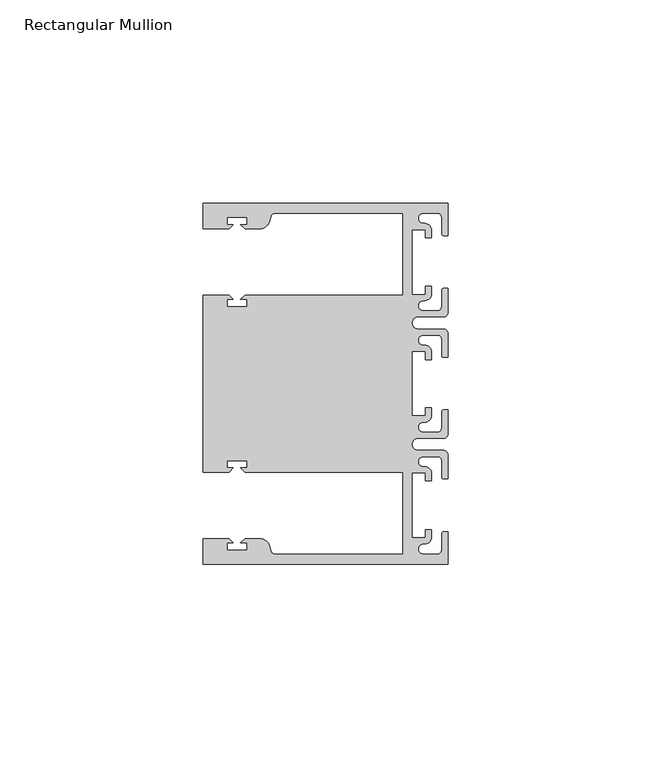
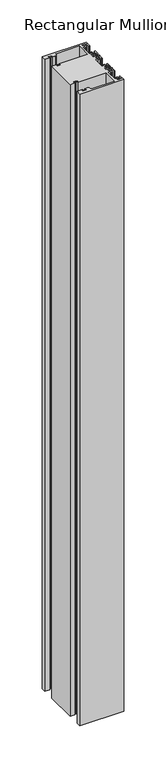
"""IFC4 building model written with IfcOpenShell, lengths in millimetres: member geometry, Rectangular Mullion."""

import ifcopenshell
import ifcopenshell.guid

model = None  # the IFC model being written
_history = None  # IfcOwnerHistory: only IFC2X3 demands one
_inside = {}  # id of a spatial element -> (the spatial element, [elements in it])
_under = {}  # id of a project, library or spatial element -> (it, [spatial elements below it])
_declared = {}  # id of a project -> (the project, [libraries it declares])
_typed = {}  # id of a type object -> (the type object, [elements of that type])
_made_of = {}  # id of a material, layer set ... -> (it, [elements and type objects made of it])


def new_model(schema):
    """Start an empty IFC model of exactly this schema.

    Asked for "IFC4X3", IfcOpenShell would pick the latest addendum, in which some entities
    have other attributes; the version numbers below select the first issue.
    IFC2X3 requires an IfcOwnerHistory on every rooted entity: one is made here for all.
    """
    global model, _history
    if schema == "IFC4X3":
        model = ifcopenshell.file(schema_version=(4, 3, 0, 0))
    else:
        model = ifcopenshell.file(schema=schema)
    _inside.clear()
    _under.clear()
    _declared.clear()
    _typed.clear()
    _made_of.clear()
    _history = None
    if model.schema == "IFC2X3":
        org = make("IfcOrganization", Name="unknown")
        user = make(
            "IfcPersonAndOrganization",
            ThePerson=make("IfcPerson", FamilyName="unknown"),
            TheOrganization=org,
        )
        app = make(
            "IfcApplication",
            ApplicationDeveloper=org,
            Version="unknown",
            ApplicationFullName="unknown",
            ApplicationIdentifier="unknown",
        )
        _history = make(
            "IfcOwnerHistory",
            OwningUser=user,
            OwningApplication=app,
            ChangeAction="ADDED",
            CreationDate=0,
        )
    return model


def make(cls, **values):
    """One entity of the class cls with the attributes given. An attribute that is None is left unset."""
    return model.create_entity(
        cls, **{name: value for name, value in values.items() if value is not None}
    )


def rooted(cls, **values):
    """An entity with a GlobalId (a new one), such as an element, a storey or a relation."""
    return make(cls, GlobalId=ifcopenshell.guid.new(), OwnerHistory=_history, **values)


def si_unit(unit_type, name, prefix=None):
    """IfcSIUnit, for example si_unit("LENGTHUNIT", "METRE", prefix="MILLI")."""
    return make("IfcSIUnit", UnitType=unit_type, Prefix=prefix, Name=name)


def assignment(units):
    """IfcUnitAssignment: the units of a project."""
    return None if units is None else make("IfcUnitAssignment", Units=units)


def point(xyz):
    """IfcCartesianPoint."""
    return None if xyz is None else make("IfcCartesianPoint", Coordinates=xyz)


def direction(xyz):
    """IfcDirection."""
    return None if xyz is None else make("IfcDirection", DirectionRatios=xyz)


def frame(location, z_axis=None, x_axis=None):
    """IfcAxis2Placement3D, a coordinate frame: its origin and axes. An axis left out is left unset."""
    return make(
        "IfcAxis2Placement3D",
        Location=point(location),
        Axis=direction(z_axis),
        RefDirection=direction(x_axis),
    )


def frame_2d(location, x_axis=None):
    """IfcAxis2Placement2D, a coordinate frame in the plane: its origin and x axis."""
    return make(
        "IfcAxis2Placement2D", Location=point(location), RefDirection=direction(x_axis)
    )


def origin():
    """The frame at (0, 0, 0) with its axes left unset."""
    return frame((0.0, 0.0, 0.0))


def place(relative_to, where):
    """IfcLocalPlacement: puts the frame where relative to a parent placement (None: the world)."""
    return make(
        "IfcLocalPlacement", PlacementRelTo=relative_to, RelativePlacement=where
    )


def context(
    kind, dimensions, precision=None, world=None, true_north=None, identifier=None
):
    """IfcGeometricRepresentationContext, for example the 3D "Model" context."""
    return make(
        "IfcGeometricRepresentationContext",
        ContextIdentifier=identifier,
        ContextType=kind,
        CoordinateSpaceDimension=dimensions,
        Precision=precision,
        WorldCoordinateSystem=world,
        TrueNorth=true_north,
    )


def project(units=None, contexts=None):
    """IfcProject with its units and contexts."""
    return rooted(
        "IfcProject",
        Name="project",
        RepresentationContexts=contexts,
        UnitsInContext=assignment(units),
    )


def spatial(cls, under=None, at=None, **own):
    """A site, building, storey or space (cls), placed at a placement, below another one or the project."""
    s = rooted(cls, ObjectPlacement=at, **own)
    if under is not None:
        _under.setdefault(under.id(), (under, []))[1].append(s)
    return s


def polyline(points):
    """IfcPolyline through the points."""
    return make("IfcPolyline", Points=[point(p) for p in points])


def circle_curve(where, radius):
    """IfcCircle in the frame where."""
    return make("IfcCircle", Position=where, Radius=radius)


def trimmed(basis, trim1, trim2, sense, master):
    """IfcTrimmedCurve: the piece of a basis curve between two trims."""
    return make(
        "IfcTrimmedCurve",
        BasisCurve=basis,
        Trim1=trim1,
        Trim2=trim2,
        SenseAgreement=sense,
        MasterRepresentation=master,
    )


def segment(curve, same_sense, transition):
    """IfcCompositeCurveSegment."""
    return make(
        "IfcCompositeCurveSegment",
        Transition=transition,
        SameSense=same_sense,
        ParentCurve=curve,
    )


def composite_curve(segments, self_intersect=None):
    """IfcCompositeCurve: segments joined end to end."""
    return make("IfcCompositeCurve", Segments=segments, SelfIntersect=self_intersect)


def outline(outer, holes=None, kind="AREA"):
    """IfcArbitraryClosedProfileDef: a profile drawn as a closed curve; with holes, ...WithVoids."""
    if holes is None:
        return make("IfcArbitraryClosedProfileDef", ProfileType=kind, OuterCurve=outer)
    return make(
        "IfcArbitraryProfileDefWithVoids",
        ProfileType=kind,
        OuterCurve=outer,
        InnerCurves=holes,
    )


def extrude(swept, where, along, depth):
    """IfcExtrudedAreaSolid: the profile swept, set in the frame where, extruded along a direction by depth."""
    return make(
        "IfcExtrudedAreaSolid",
        SweptArea=swept,
        Position=where,
        ExtrudedDirection=direction(along),
        Depth=depth,
    )


def shape(context_of_items, identifier, shape_type, items):
    """IfcShapeRepresentation: the items that make up one representation, for example the "Body"."""
    return make(
        "IfcShapeRepresentation",
        ContextOfItems=context_of_items,
        RepresentationIdentifier=identifier,
        RepresentationType=shape_type,
        Items=items,
    )


def source(mapping_origin, context_of_items, identifier, shape_type, items):
    """IfcRepresentationMap: a shape defined once, which mapped items show again and again."""
    return make(
        "IfcRepresentationMap",
        MappingOrigin=mapping_origin,
        MappedRepresentation=shape(context_of_items, identifier, shape_type, items),
    )


def transform(
    local_origin,
    x_axis=None,
    y_axis=None,
    z_axis=None,
    scale=None,
    scale2=None,
    scale3=None,
    uniform=True,
):
    """IfcCartesianTransformationOperator3D, or its non-uniform kind. x_axis, y_axis, z_axis: its Axis1, 2, 3."""
    if uniform:
        return make(
            "IfcCartesianTransformationOperator3D",
            Axis1=direction(x_axis),
            Axis2=direction(y_axis),
            LocalOrigin=point(local_origin),
            Scale=scale,
            Axis3=direction(z_axis),
        )
    return make(
        "IfcCartesianTransformationOperator3DnonUniform",
        Axis1=direction(x_axis),
        Axis2=direction(y_axis),
        LocalOrigin=point(local_origin),
        Scale=scale,
        Axis3=direction(z_axis),
        Scale2=scale2,
        Scale3=scale3,
    )


def mapped(mapping_source, mapping_target):
    """IfcMappedItem: shows the shape of a source again, moved by a transform."""
    return make(
        "IfcMappedItem", MappingSource=mapping_source, MappingTarget=mapping_target
    )


def made_of(thing, what):
    """Note that an element or type object is made of a material, layer set ...; save() writes the relation."""
    if what is not None:
        _made_of.setdefault(what.id(), (what, []))[1].append(thing)
    return thing


def element(
    cls,
    number,
    at=None,
    inside=None,
    cuts=None,
    type_object=None,
    material=None,
    context=None,
    identifier="Body",
    shape_type=None,
    held_by="IfcProductDefinitionShape",
    body=None,
    shapes=None,
    **own,
):
    """One element of the class cls, such as IfcWall. Its Tag is "e" and its number.

    at: its placement. inside: the storey or other place that contains it. cuts: it is an
    opening in that element (IfcRelVoidsElement). A single representation is given by context,
    identifier, shape_type and body (its items); several are given by shapes. held_by: the class
    of the entity that holds the representations. save() writes the other relations.
    """
    e = rooted(cls, Tag="e%d" % number, ObjectPlacement=at, **own)
    if body is not None:
        shapes = [shape(context, identifier, shape_type, body)]
    if shapes is not None:
        e.Representation = make(held_by, Representations=shapes)
    if inside is not None:
        _inside.setdefault(inside.id(), (inside, []))[1].append(e)
    if cuts is not None:
        rooted(
            "IfcRelVoidsElement", RelatingBuildingElement=cuts, RelatedOpeningElement=e
        )
    if type_object is not None:
        _typed.setdefault(type_object.id(), (type_object, []))[1].append(e)
    return made_of(e, material)


def aggregate(whole, parts):
    """IfcRelAggregates: a whole, such as a stair, and the parts it consists of."""
    return rooted("IfcRelAggregates", RelatingObject=whole, RelatedObjects=parts)


def save(model, path):
    """Write the relations noted so far, then the file.

    IfcRelAggregates (storeys below a building ...), IfcRelContainedInSpatialStructure (elements
    in a storey), IfcRelDefinesByType, IfcRelAssociatesMaterial and IfcRelDeclares: one each for
    every whole, place, type object, material and project.
    """
    for whole, parts in _under.values():
        aggregate(whole, parts)
    for where, things in _inside.values():
        rooted(
            "IfcRelContainedInSpatialStructure",
            RelatedElements=things,
            RelatingStructure=where,
        )
    for kind, things in _typed.values():
        rooted("IfcRelDefinesByType", RelatedObjects=things, RelatingType=kind)
    for what, things in _made_of.values():
        rooted("IfcRelAssociatesMaterial", RelatedObjects=things, RelatingMaterial=what)
    for by, libraries in _declared.values():
        rooted("IfcRelDeclares", RelatingContext=by, RelatedDefinitions=libraries)
    model.write(path)


def rectangular_mullion_5a1a3d79(model_context):
    return source(origin(), model_context, "Body", "SweptSolid", [
        extrude(outline(composite_curve([segment(polyline([(0.0, -44.45), (-60.3249977, -44.45), (-60.3249977, -38.1499897), (-53.8507531, -38.1499897), (-52.8507405, -39.1500023), (-54.4249778, -39.1500023), (-54.4249778, -40.9498819), (-49.4249831, -40.9498819), (-49.4249831, -39.1500023), (-50.999256, -39.1500023), (-49.9992503, -38.1499966), (-46.3137853, -38.1499966)]), True, "CONTINUOUS"), segment(trimmed(circle_curve(frame_2d((-46.3137853, -40.6499966)), 2.5), [point((-46.3137853, -38.1499966))], [point((-43.8989707, -40.002949))], False, "CARTESIAN"), True, "CONTINUOUS"), segment(polyline([(-43.8989707, -40.002949), (-43.5758588, -41.2088192)]), True, "CONTINUOUS"), segment(trimmed(circle_curve(frame_2d((-42.6099329, -40.9500001)), 1.0), [point((-43.5758588, -41.2088192))], [point((-42.6099329, -41.9500001))], True, "CARTESIAN"), True, "CONTINUOUS"), segment(polyline([(-42.6099329, -41.9500001), (-11.1124977, -41.95), (-11.1124977, -21.7499959), (-49.9992434, -21.7499959), (-50.999256, -20.7499834), (-49.4250186, -20.7499834), (-49.4250186, -18.949936), (-54.4250134, -18.949936), (-54.4250134, -20.7499834), (-52.8507405, -20.7499834), (-53.8507562, -21.749999), (-60.325, -21.749999), (-60.325, 21.749999), (-53.8507562, 21.749999), (-52.8507405, 20.7499834), (-54.4250134, 20.7499834), (-54.4250134, 18.949936), (-49.4250186, 18.949936), (-49.4250186, 20.7499834), (-50.999256, 20.7499834), (-49.9992434, 21.7499959), (-11.1125, 21.7499959), (-11.1125, 41.95), (-42.6099329, 41.95)]), True, "CONTINUOUS"), segment(trimmed(circle_curve(frame_2d((-42.6099329, 40.9500001)), 1.0), [point((-42.6099329, 41.95))], [point((-43.5758588, 41.2088192))], True, "CARTESIAN"), True, "CONTINUOUS"), segment(polyline([(-43.5758588, 41.2088192), (-43.8989707, 40.002949)]), True, "CONTINUOUS"), segment(trimmed(circle_curve(frame_2d((-46.3137853, 40.6499966)), 2.5), [point((-43.8989707, 40.002949))], [point((-46.3137853, 38.1499966))], False, "CARTESIAN"), True, "CONTINUOUS"), segment(polyline([(-46.3137853, 38.1499966), (-49.9992503, 38.1499966), (-50.999256, 39.1500023), (-49.4249831, 39.1500023), (-49.4249831, 40.9498819), (-54.4249778, 40.9498819), (-54.4249778, 39.1500023), (-52.8507405, 39.1500023), (-53.8507531, 38.1499897), (-60.325, 38.1499897), (-60.325, 44.45), (0.0, 44.45), (0.0, 36.4500318), (-1.0, 36.4500318)]), True, "CONTINUOUS"), segment(trimmed(circle_curve(frame_2d((-1.0, 36.9500318)), 0.5), [point((-1.0, 36.4500318))], [point((-1.5, 36.9500318))], False, "CARTESIAN"), True, "CONTINUOUS"), segment(polyline([(-1.5, 36.9500318), (-1.5, 40.95)]), True, "CONTINUOUS"), segment(trimmed(circle_curve(frame_2d((-2.5, 40.95)), 1.0), [point((-1.5, 40.95))], [point((-2.5, 41.95))], True, "CARTESIAN"), True, "CONTINUOUS"), segment(polyline([(-2.5, 41.95), (-6.0499986, 41.95)]), True, "CONTINUOUS"), segment(trimmed(circle_curve(frame_2d((-6.0499986, 40.6999986)), 1.2500014), [point((-6.0499986, 41.95))], [point((-5.9027291, 39.4587029))], True, "CARTESIAN"), True, "CONTINUOUS"), segment(trimmed(circle_curve(frame_2d((-5.7186029, 37.7499972)), 1.7185975), [point((-5.9027291, 39.4587029))], [point((-4.0000054, 37.7499972))], False, "CARTESIAN"), True, "CONTINUOUS"), segment(polyline([(-4.0000054, 37.7499972), (-4.0000054, 35.9500318), (-5.5, 35.9500318), (-5.5, 37.9499972), (-8.8585786, 37.9499972), (-8.8585786, 21.9499956), (-5.5, 21.9499956), (-5.5, 23.9499611), (-3.9999946, 23.9499611), (-3.9999946, 22.0272972)]), True, "CONTINUOUS"), segment(trimmed(circle_curve(frame_2d((-5.7543344, 22.1865598)), 1.761554), [point((-3.9999946, 22.0272972))], [point((-6.0499986, 20.4499956))], False, "CARTESIAN"), True, "CONTINUOUS"), segment(trimmed(circle_curve(frame_2d((-6.0499986, 19.1999942)), 1.2500014), [point((-6.0499986, 20.4499956))], [point((-6.0499986, 17.9499929))], True, "CARTESIAN"), True, "CONTINUOUS"), segment(polyline([(-6.0499986, 17.9499929), (-2.5, 17.9499929)]), True, "CONTINUOUS"), segment(trimmed(circle_curve(frame_2d((-2.5, 18.9499929)), 1.0), [point((-2.5, 17.9499929))], [point((-1.5, 18.9499929))], True, "CARTESIAN"), True, "CONTINUOUS"), segment(polyline([(-1.5, 18.9499929), (-1.5, 22.9499611)]), True, "CONTINUOUS"), segment(trimmed(circle_curve(frame_2d((-1.0, 22.9499611)), 0.5), [point((-1.5, 22.9499611))], [point((-1.0, 23.4499611))], False, "CARTESIAN"), True, "CONTINUOUS"), segment(polyline([(-1.0, 23.4499611), (0.0, 23.4499611), (0.0, 17.4499929)]), True, "CONTINUOUS"), segment(trimmed(circle_curve(frame_2d((-1.0, 17.4499929)), 1.0), [point((0.0, 17.4499929))], [point((-1.0, 16.4499929))], False, "CARTESIAN"), True, "CONTINUOUS"), segment(polyline([(-1.0, 16.4499929), (-7.3, 16.4499929)]), True, "CONTINUOUS"), segment(trimmed(circle_curve(frame_2d((-7.3, 14.9499929)), 1.5), [point((-7.3, 16.4499929))], [point((-7.3046244, 13.45))], True, "CARTESIAN"), True, "CONTINUOUS"), segment(polyline([(-7.3046244, 13.45), (-1.0, 13.45)]), True, "CONTINUOUS"), segment(trimmed(circle_curve(frame_2d((-1.0, 12.45)), 1.0), [point((-1.0, 13.45))], [point((0.0, 12.45))], False, "CARTESIAN"), True, "CONTINUOUS"), segment(polyline([(0.0, 12.45), (0.0, 6.4500354), (-0.9999964, 6.4500354)]), True, "CONTINUOUS"), segment(trimmed(circle_curve(frame_2d((-0.9999964, 6.9500354)), 0.5), [point((-0.9999964, 6.4500354))], [point((-1.4999964, 6.9500354))], False, "CARTESIAN"), True, "CONTINUOUS"), segment(polyline([(-1.4999964, 6.9500354), (-1.4999964, 10.95)]), True, "CONTINUOUS"), segment(trimmed(circle_curve(frame_2d((-2.4999964, 10.95)), 1.0), [point((-1.4999964, 10.95))], [point((-2.4999964, 11.95))], True, "CARTESIAN"), True, "CONTINUOUS"), segment(polyline([(-2.4999964, 11.95), (-6.0499986, 11.95)]), True, "CONTINUOUS"), segment(trimmed(circle_curve(frame_2d((-6.0499986, 10.6999986)), 1.2500014), [point((-6.0499986, 11.95))], [point((-6.0499986, 9.4499972))], True, "CARTESIAN"), True, "CONTINUOUS"), segment(trimmed(circle_curve(frame_2d((-5.7298824, 7.7499972)), 1.729877), [point((-6.0499986, 9.4499972))], [point((-4.0000054, 7.7499972))], False, "CARTESIAN"), True, "CONTINUOUS"), segment(polyline([(-4.0000054, 7.7499972), (-4.0000054, 5.9500318), (-5.5, 5.9500318), (-5.5, 7.9499972), (-8.8, 7.9499972), (-8.8, -7.9499972), (-5.5, -7.9499972), (-5.5, -5.9500318), (-4.0000054, -5.9500318), (-4.0000054, -7.7499972)]), True, "CONTINUOUS"), segment(trimmed(circle_curve(frame_2d((-5.7298824, -7.7499972)), 1.729877), [point((-4.0000054, -7.7499972))], [point((-6.0499986, -9.4499972))], False, "CARTESIAN"), True, "CONTINUOUS"), segment(trimmed(circle_curve(frame_2d((-6.0499986, -10.6999986)), 1.2500014), [point((-6.0499986, -9.4499972))], [point((-6.0499986, -11.95))], True, "CARTESIAN"), True, "CONTINUOUS"), segment(polyline([(-6.0499986, -11.95), (-2.4999964, -11.95)]), True, "CONTINUOUS"), segment(trimmed(circle_curve(frame_2d((-2.4999964, -10.95)), 1.0), [point((-2.4999964, -11.95))], [point((-1.4999964, -10.95))], True, "CARTESIAN"), True, "CONTINUOUS"), segment(polyline([(-1.4999964, -10.95), (-1.4999964, -6.9500354)]), True, "CONTINUOUS"), segment(trimmed(circle_curve(frame_2d((-0.9999964, -6.9500354)), 0.5), [point((-1.4999964, -6.9500354))], [point((-0.9999964, -6.4500354))], False, "CARTESIAN"), True, "CONTINUOUS"), segment(polyline([(-0.9999964, -6.4500354), (0.0, -6.4500354), (0.0, -12.45)]), True, "CONTINUOUS"), segment(trimmed(circle_curve(frame_2d((-1.0, -12.45)), 1.0), [point((0.0, -12.45))], [point((-1.0, -13.45))], False, "CARTESIAN"), True, "CONTINUOUS"), segment(polyline([(-1.0, -13.45), (-7.3046244, -13.45)]), True, "CONTINUOUS"), segment(trimmed(circle_curve(frame_2d((-7.3, -14.9499929)), 1.5), [point((-7.3046244, -13.45))], [point((-7.3, -16.4499929))], True, "CARTESIAN"), True, "CONTINUOUS"), segment(polyline([(-7.3, -16.4499929), (-1.0, -16.4499929)]), True, "CONTINUOUS"), segment(trimmed(circle_curve(frame_2d((-1.0, -17.4499929)), 1.0), [point((-1.0, -16.4499929))], [point((0.0, -17.4499929))], False, "CARTESIAN"), True, "CONTINUOUS"), segment(polyline([(0.0, -17.4499929), (0.0, -23.4499611), (-1.0, -23.4499611)]), True, "CONTINUOUS"), segment(trimmed(circle_curve(frame_2d((-1.0, -22.9499611)), 0.5), [point((-1.0, -23.4499611))], [point((-1.5, -22.9499611))], False, "CARTESIAN"), True, "CONTINUOUS"), segment(polyline([(-1.5, -22.9499611), (-1.5, -18.9499929)]), True, "CONTINUOUS"), segment(trimmed(circle_curve(frame_2d((-2.5, -18.9499929)), 1.0), [point((-1.5, -18.9499929))], [point((-2.5, -17.9499929))], True, "CARTESIAN"), True, "CONTINUOUS"), segment(polyline([(-2.5, -17.9499929), (-6.0499986, -17.9499929)]), True, "CONTINUOUS"), segment(trimmed(circle_curve(frame_2d((-6.0499986, -19.1999942)), 1.2500014), [point((-6.0499986, -17.9499929))], [point((-6.0499986, -20.4499956))], True, "CARTESIAN"), True, "CONTINUOUS"), segment(trimmed(circle_curve(frame_2d((-5.7543344, -22.1865598)), 1.761554), [point((-6.0499986, -20.4499956))], [point((-3.9999946, -22.0272972))], False, "CARTESIAN"), True, "CONTINUOUS"), segment(polyline([(-3.9999946, -22.0272972), (-3.9999946, -23.9499611), (-5.5, -23.9499611), (-5.5, -21.9499956), (-8.8585786, -21.9499956), (-8.8585786, -37.9499972), (-5.5, -37.9499972), (-5.5, -35.9500318), (-4.0000054, -35.9500318), (-4.0000054, -37.7499972)]), True, "CONTINUOUS"), segment(trimmed(circle_curve(frame_2d((-5.7186029, -37.7499972)), 1.7185975), [point((-4.0000054, -37.7499972))], [point((-5.9027291, -39.4587029))], False, "CARTESIAN"), True, "CONTINUOUS"), segment(trimmed(circle_curve(frame_2d((-6.0499986, -40.6999986)), 1.2500014), [point((-5.9027291, -39.4587029))], [point((-6.0499986, -41.95))], True, "CARTESIAN"), True, "CONTINUOUS"), segment(polyline([(-6.0499986, -41.95), (-2.5, -41.95)]), True, "CONTINUOUS"), segment(trimmed(circle_curve(frame_2d((-2.5, -40.95)), 1.0), [point((-2.5, -41.95))], [point((-1.5, -40.95))], True, "CARTESIAN"), True, "CONTINUOUS"), segment(polyline([(-1.5, -40.95), (-1.5, -36.9500318)]), True, "CONTINUOUS"), segment(trimmed(circle_curve(frame_2d((-1.0, -36.9500318)), 0.5), [point((-1.5, -36.9500318))], [point((-1.0, -36.4500318))], False, "CARTESIAN"), True, "CONTINUOUS"), segment(polyline([(-1.0, -36.4500318), (0.0, -36.4500318), (0.0, -44.45)]), True, "CONTINUOUS")], self_intersect=False)), frame((0.0, 0.0, -914.4), z_axis=(0.0, 0.0, 1.0), x_axis=(1.0, 0.0, 0.0)), (0.0, 0.0, 1.0), 914.4),
    ])


if __name__ == "__main__":
    model = new_model("IFC4")
    model_context = context("Model", 3, world=origin())
    ifc_project = project(units=[si_unit("LENGTHUNIT", "METRE", prefix="MILLI")], contexts=[model_context])
    site = spatial("IfcSite", under=ifc_project)
    building = spatial("IfcBuilding", under=site)
    placement = place(None, origin())
    rectangular_mullion_shape = rectangular_mullion_5a1a3d79(model_context)
    element("IfcMember", 1, ObjectType="Rectangular Mullion", at=placement, inside=building, context=model_context, shape_type="MappedRepresentation", body=[
        mapped(rectangular_mullion_shape, transform((0.0, 0.0, 0.0), x_axis=(1.0, 0.0, 0.0), y_axis=(0.0, 1.0, 0.0), z_axis=(0.0, 0.0, 1.0))),
    ])
    save(model, "model.ifc")
